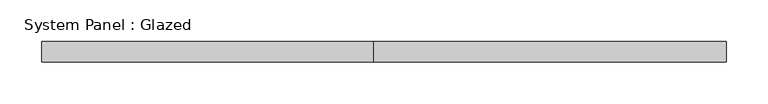
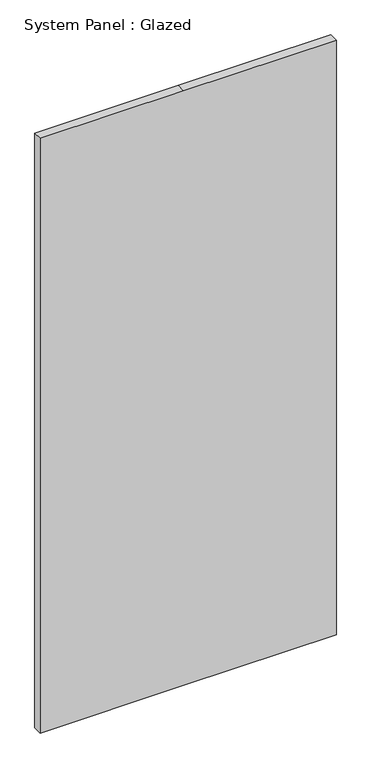
"""IFC4 building model written with IfcOpenShell, lengths in millimetres: plate geometry, System Panel : Glazed."""

import ifcopenshell
import ifcopenshell.guid

model = None  # the IFC model being written
_history = None  # IfcOwnerHistory: only IFC2X3 demands one
_inside = {}  # id of a spatial element -> (the spatial element, [elements in it])
_under = {}  # id of a project, library or spatial element -> (it, [spatial elements below it])
_declared = {}  # id of a project -> (the project, [libraries it declares])
_typed = {}  # id of a type object -> (the type object, [elements of that type])
_made_of = {}  # id of a material, layer set ... -> (it, [elements and type objects made of it])


def new_model(schema):
    """Start an empty IFC model of exactly this schema.

    Asked for "IFC4X3", IfcOpenShell would pick the latest addendum, in which some entities
    have other attributes; the version numbers below select the first issue.
    IFC2X3 requires an IfcOwnerHistory on every rooted entity: one is made here for all.
    """
    global model, _history
    if schema == "IFC4X3":
        model = ifcopenshell.file(schema_version=(4, 3, 0, 0))
    else:
        model = ifcopenshell.file(schema=schema)
    _inside.clear()
    _under.clear()
    _declared.clear()
    _typed.clear()
    _made_of.clear()
    _history = None
    if model.schema == "IFC2X3":
        org = make("IfcOrganization", Name="unknown")
        user = make(
            "IfcPersonAndOrganization",
            ThePerson=make("IfcPerson", FamilyName="unknown"),
            TheOrganization=org,
        )
        app = make(
            "IfcApplication",
            ApplicationDeveloper=org,
            Version="unknown",
            ApplicationFullName="unknown",
            ApplicationIdentifier="unknown",
        )
        _history = make(
            "IfcOwnerHistory",
            OwningUser=user,
            OwningApplication=app,
            ChangeAction="ADDED",
            CreationDate=0,
        )
    return model


def make(cls, **values):
    """One entity of the class cls with the attributes given. An attribute that is None is left unset."""
    return model.create_entity(
        cls, **{name: value for name, value in values.items() if value is not None}
    )


def rooted(cls, **values):
    """An entity with a GlobalId (a new one), such as an element, a storey or a relation."""
    return make(cls, GlobalId=ifcopenshell.guid.new(), OwnerHistory=_history, **values)


def si_unit(unit_type, name, prefix=None):
    """IfcSIUnit, for example si_unit("LENGTHUNIT", "METRE", prefix="MILLI")."""
    return make("IfcSIUnit", UnitType=unit_type, Prefix=prefix, Name=name)


def assignment(units):
    """IfcUnitAssignment: the units of a project."""
    return None if units is None else make("IfcUnitAssignment", Units=units)


def point(xyz):
    """IfcCartesianPoint."""
    return None if xyz is None else make("IfcCartesianPoint", Coordinates=xyz)


def direction(xyz):
    """IfcDirection."""
    return None if xyz is None else make("IfcDirection", DirectionRatios=xyz)


def frame(location, z_axis=None, x_axis=None):
    """IfcAxis2Placement3D, a coordinate frame: its origin and axes. An axis left out is left unset."""
    return make(
        "IfcAxis2Placement3D",
        Location=point(location),
        Axis=direction(z_axis),
        RefDirection=direction(x_axis),
    )


def origin():
    """The frame at (0, 0, 0) with its axes left unset."""
    return frame((0.0, 0.0, 0.0))


def place(relative_to, where):
    """IfcLocalPlacement: puts the frame where relative to a parent placement (None: the world)."""
    return make(
        "IfcLocalPlacement", PlacementRelTo=relative_to, RelativePlacement=where
    )


def context(
    kind, dimensions, precision=None, world=None, true_north=None, identifier=None
):
    """IfcGeometricRepresentationContext, for example the 3D "Model" context."""
    return make(
        "IfcGeometricRepresentationContext",
        ContextIdentifier=identifier,
        ContextType=kind,
        CoordinateSpaceDimension=dimensions,
        Precision=precision,
        WorldCoordinateSystem=world,
        TrueNorth=true_north,
    )


def project(units=None, contexts=None):
    """IfcProject with its units and contexts."""
    return rooted(
        "IfcProject",
        Name="project",
        RepresentationContexts=contexts,
        UnitsInContext=assignment(units),
    )


def spatial(cls, under=None, at=None, **own):
    """A site, building, storey or space (cls), placed at a placement, below another one or the project."""
    s = rooted(cls, ObjectPlacement=at, **own)
    if under is not None:
        _under.setdefault(under.id(), (under, []))[1].append(s)
    return s


def polyline(points):
    """IfcPolyline through the points."""
    return make("IfcPolyline", Points=[point(p) for p in points])


def outline(outer, holes=None, kind="AREA"):
    """IfcArbitraryClosedProfileDef: a profile drawn as a closed curve; with holes, ...WithVoids."""
    if holes is None:
        return make("IfcArbitraryClosedProfileDef", ProfileType=kind, OuterCurve=outer)
    return make(
        "IfcArbitraryProfileDefWithVoids",
        ProfileType=kind,
        OuterCurve=outer,
        InnerCurves=holes,
    )


def extrude(swept, where, along, depth):
    """IfcExtrudedAreaSolid: the profile swept, set in the frame where, extruded along a direction by depth."""
    return make(
        "IfcExtrudedAreaSolid",
        SweptArea=swept,
        Position=where,
        ExtrudedDirection=direction(along),
        Depth=depth,
    )


def shape(context_of_items, identifier, shape_type, items):
    """IfcShapeRepresentation: the items that make up one representation, for example the "Body"."""
    return make(
        "IfcShapeRepresentation",
        ContextOfItems=context_of_items,
        RepresentationIdentifier=identifier,
        RepresentationType=shape_type,
        Items=items,
    )


def source(mapping_origin, context_of_items, identifier, shape_type, items):
    """IfcRepresentationMap: a shape defined once, which mapped items show again and again."""
    return make(
        "IfcRepresentationMap",
        MappingOrigin=mapping_origin,
        MappedRepresentation=shape(context_of_items, identifier, shape_type, items),
    )


def transform(
    local_origin,
    x_axis=None,
    y_axis=None,
    z_axis=None,
    scale=None,
    scale2=None,
    scale3=None,
    uniform=True,
):
    """IfcCartesianTransformationOperator3D, or its non-uniform kind. x_axis, y_axis, z_axis: its Axis1, 2, 3."""
    if uniform:
        return make(
            "IfcCartesianTransformationOperator3D",
            Axis1=direction(x_axis),
            Axis2=direction(y_axis),
            LocalOrigin=point(local_origin),
            Scale=scale,
            Axis3=direction(z_axis),
        )
    return make(
        "IfcCartesianTransformationOperator3DnonUniform",
        Axis1=direction(x_axis),
        Axis2=direction(y_axis),
        LocalOrigin=point(local_origin),
        Scale=scale,
        Axis3=direction(z_axis),
        Scale2=scale2,
        Scale3=scale3,
    )


def mapped(mapping_source, mapping_target):
    """IfcMappedItem: shows the shape of a source again, moved by a transform."""
    return make(
        "IfcMappedItem", MappingSource=mapping_source, MappingTarget=mapping_target
    )


def made_of(thing, what):
    """Note that an element or type object is made of a material, layer set ...; save() writes the relation."""
    if what is not None:
        _made_of.setdefault(what.id(), (what, []))[1].append(thing)
    return thing


def element(
    cls,
    number,
    at=None,
    inside=None,
    cuts=None,
    type_object=None,
    material=None,
    context=None,
    identifier="Body",
    shape_type=None,
    held_by="IfcProductDefinitionShape",
    body=None,
    shapes=None,
    **own,
):
    """One element of the class cls, such as IfcWall. Its Tag is "e" and its number.

    at: its placement. inside: the storey or other place that contains it. cuts: it is an
    opening in that element (IfcRelVoidsElement). A single representation is given by context,
    identifier, shape_type and body (its items); several are given by shapes. held_by: the class
    of the entity that holds the representations. save() writes the other relations.
    """
    e = rooted(cls, Tag="e%d" % number, ObjectPlacement=at, **own)
    if body is not None:
        shapes = [shape(context, identifier, shape_type, body)]
    if shapes is not None:
        e.Representation = make(held_by, Representations=shapes)
    if inside is not None:
        _inside.setdefault(inside.id(), (inside, []))[1].append(e)
    if cuts is not None:
        rooted(
            "IfcRelVoidsElement", RelatingBuildingElement=cuts, RelatedOpeningElement=e
        )
    if type_object is not None:
        _typed.setdefault(type_object.id(), (type_object, []))[1].append(e)
    return made_of(e, material)


def aggregate(whole, parts):
    """IfcRelAggregates: a whole, such as a stair, and the parts it consists of."""
    return rooted("IfcRelAggregates", RelatingObject=whole, RelatedObjects=parts)


def save(model, path):
    """Write the relations noted so far, then the file.

    IfcRelAggregates (storeys below a building ...), IfcRelContainedInSpatialStructure (elements
    in a storey), IfcRelDefinesByType, IfcRelAssociatesMaterial and IfcRelDeclares: one each for
    every whole, place, type object, material and project.
    """
    for whole, parts in _under.values():
        aggregate(whole, parts)
    for where, things in _inside.values():
        rooted(
            "IfcRelContainedInSpatialStructure",
            RelatedElements=things,
            RelatingStructure=where,
        )
    for kind, things in _typed.values():
        rooted("IfcRelDefinesByType", RelatedObjects=things, RelatingType=kind)
    for what, things in _made_of.values():
        rooted("IfcRelAssociatesMaterial", RelatedObjects=things, RelatingMaterial=what)
    for by, libraries in _declared.values():
        rooted("IfcRelDeclares", RelatingContext=by, RelatedDefinitions=libraries)
    model.write(path)


def system_panel_glazed_1f9f1c9e(model_context):
    return source(origin(), model_context, "Body", "SweptSolid", [
        extrude(outline(polyline([(0.0, -412.5), (0.0, -12.5), (0.0, 412.5), (1750.0, 412.5), (1750.0, -12.5), (1750.0, -412.5), (0.0, -412.5)])), frame((0.0, -49.5, 0.0), z_axis=(0.0, 1.0, 0.0), x_axis=(0.0, 0.0, 1.0)), (0.0, 0.0, 1.0), 25.0),
    ])


if __name__ == "__main__":
    model = new_model("IFC4")
    model_context = context("Model", 3, world=origin())
    ifc_project = project(units=[si_unit("LENGTHUNIT", "METRE", prefix="MILLI")], contexts=[model_context])
    site = spatial("IfcSite", under=ifc_project)
    building = spatial("IfcBuilding", under=site)
    placement = place(None, origin())
    system_panel_glazed_shape = system_panel_glazed_1f9f1c9e(model_context)
    element("IfcPlate", 1, ObjectType="System Panel : Glazed", at=placement, inside=building, context=model_context, shape_type="MappedRepresentation", body=[
        mapped(system_panel_glazed_shape, transform((0.0, 0.0, 0.0), x_axis=(1.0, 0.0, 0.0), y_axis=(0.0, 1.0, 0.0), z_axis=(0.0, 0.0, 1.0))),
    ])
    save(model, "model.ifc")
